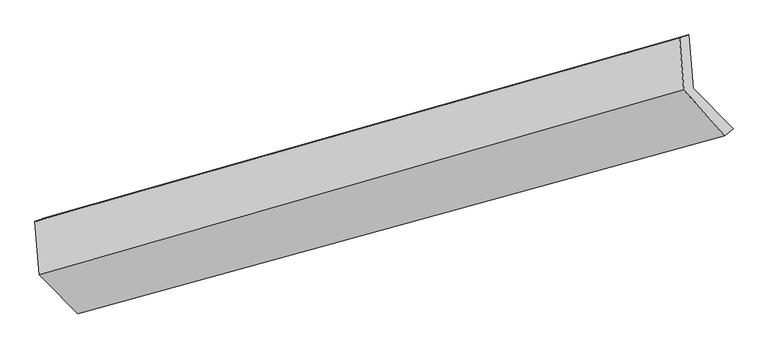
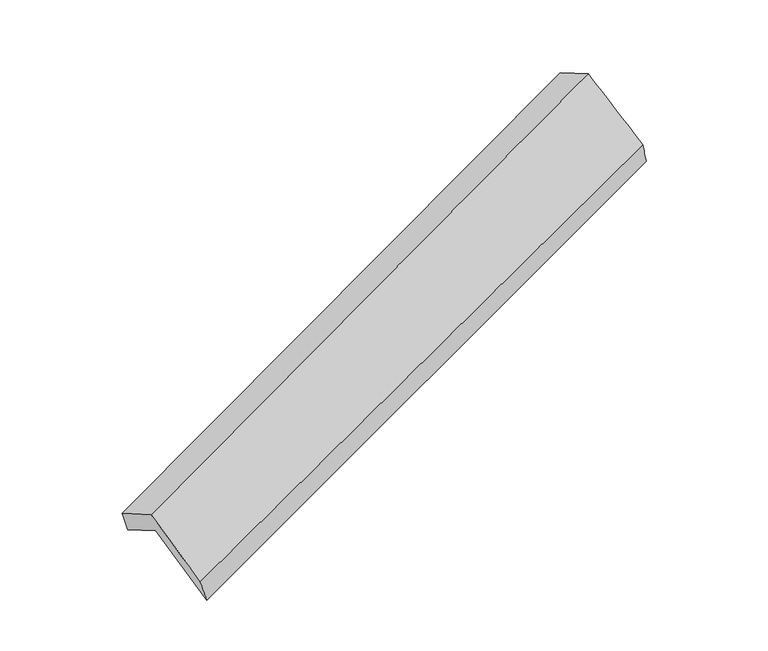
"""IFC4 building model written with IfcOpenShell, lengths in millimetres: proxy geometry."""

from ifc_helpers import new_model, si_unit, frame, origin, place, context, project, spatial, source, transform, mapped, element, save
from ifc_brep_helpers import plane_surface, spline_surface, advanced_brep


def generic_models_4ed30615(model_context):
    return source(origin(), model_context, "Body", "AdvancedBrep", [
        advanced_brep(
        [(-5083.3486104, -2133.8091515, 1288.8848258), (-5112.5212101, -1783.9222269, 1097.1718685), (-767.1592465, -548.8922054, 2669.0793364), (-737.2573906, -907.525599, 2865.5847318), (-5168.6151038, -1804.2033111, 1270.5286711), (-830.0629923, -569.6391419, 2861.9206626), (-5138.7396208, -2162.5203965, 1466.8607523), (-800.8903926, -919.5260665, 3053.6336199), (-4880.7897556, -2425.2664668, 948.0826579), (-526.8883934, -1227.4153402, 2525.0887857), (-4816.024833, -2406.1034284, 751.2543068), (-469.9336131, -1179.819876, 2327.9542128)],
        [
            (0, 1),
            (1, 2),
            (2, 3),
            (3, 0),
            (1, 4),
            (4, 5),
            (5, 2),
            (4, 6),
            (6, 7),
            (7, 5),
            (6, 8),
            (8, 9),
            (9, 7),
            (8, 10),
            (10, 11),
            (11, 9),
            (10, 0),
            (3, 11),
        ],
        [
            plane_surface(frame((-5097.9349102, -1958.8656892, 1193.0283472), z_axis=(0.4111842056006021, -0.411416481625238, -0.8134273340082149), x_axis=(-0.07292562917854509, 0.8746469092262344, -0.4792438176856416))),
            spline_surface(1, 1, [[(-5112.5212101, -1783.9222269, 1097.1718685), (-767.1592465, -548.8922054, 2669.0793364)], [(-5168.6151038, -1804.2033111, 1270.5286711), (-830.0629923, -569.6391419, 2861.9206626)]], [2, 2], [2, 2], [0.0, 1.0], [0.0, 1.0]),
            plane_surface(frame((-5153.6773623, -1983.3618538, 1368.6947117), z_axis=(-0.4146873658332445, 0.41042411077324625, 0.8121492707096862), x_axis=(0.07292562917852446, -0.8746469092262358, 0.47924381768564245))),
            spline_surface(1, 1, [[(-5138.7396208, -2162.5203965, 1466.8607523), (-800.8903926, -919.5260665, 3053.6336199)], [(-4880.7897556, -2425.2664668, 948.0826579), (-526.8883934, -1227.4153402, 2525.0887857)]], [2, 2], [2, 2], [0.0, 1.0], [0.0, 1.0]),
            spline_surface(1, 1, [[(-4880.7897556, -2425.2664668, 948.0826579), (-526.8883934, -1227.4153402, 2525.0887857)], [(-4816.024833, -2406.1034284, 751.2543068), (-469.9336131, -1179.819876, 2327.9542128)]], [2, 2], [2, 2], [0.0, 1.0], [0.0, 1.0]),
            plane_surface(frame((-4949.6867217, -2269.95629, 1020.0695663), z_axis=(-0.07292562917850232, 0.8746469092262354, -0.4792438176856467), x_axis=(-0.4054771389301701, 0.4130164006225328, 0.8154788425347472))),
            plane_surface(frame((-688.6986714, -892.1363715, 2717.2102249), z_axis=(0.9111916057635356, 0.2537917197187037, 0.32452984545075764), x_axis=(0.2703830860117214, 0.22595133221521163, -0.9358626941325042))),
            plane_surface(frame((-5033.3398556, -2119.3041636, 1137.1305137), z_axis=(-0.9111916057635454, -0.2537917197185989, -0.32452984545081237), x_axis=(0.4054771389301686, -0.4130164006225436, -0.8154788425347426))),
        ],
        [
            (0, [[1, 2, 3, 4]]),
            (1, [[5, 6, 7, -2]]),
            (2, [[8, 9, 10, -6]]),
            (3, [[11, 12, 13, -9]]),
            (4, [[14, 15, 16, -12]]),
            (5, [[17, -4, 18, -15]]),
            (6, [[-16, -18, -3, -7, -10, -13]]),
            (7, [[-17, -14, -11, -8, -5, -1]]),
        ],
    ),
    ])


if __name__ == "__main__":
    model = new_model("IFC4")
    model_context = context("Model", 3, world=origin())
    ifc_project = project(units=[si_unit("LENGTHUNIT", "METRE", prefix="MILLI")], contexts=[model_context])
    site = spatial("IfcSite", under=ifc_project)
    building = spatial("IfcBuilding", under=site)
    placement = place(None, origin())
    generic_models_shape = generic_models_4ed30615(model_context)
    element("IfcBuildingElementProxy", 1, Name="Generic Models", at=placement, inside=building, context=model_context, shape_type="MappedRepresentation", body=[
        mapped(generic_models_shape, transform((0.0, 0.0, 0.0), x_axis=(1.0, 0.0, 0.0), y_axis=(0.0, 1.0, 0.0), z_axis=(0.0, 0.0, 1.0))),
    ])
    save(model, "model.ifc")
